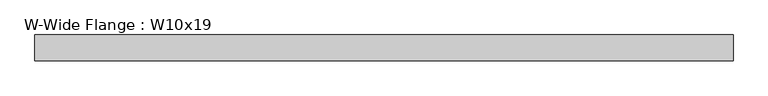
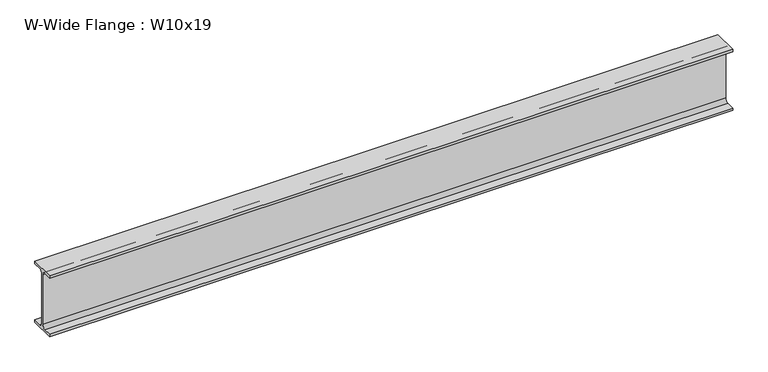
"""IFC4 building model written with IfcOpenShell, lengths in millimetres: beam geometry, W-Wide Flange : W10x19."""

from ifc_helpers import new_model, si_unit, point, frame, frame_2d, origin, place, context, project, spatial, polyline, circle_curve, trimmed, segment, composite_curve, outline, extrude, source, transform, mapped, element, save


def w_wide_flange_w10x19_a268e3e9(model_context):
    return source(origin(), model_context, "Body", "SweptSolid", [
        extrude(outline(composite_curve([segment(polyline([(51.054, -119.507), (51.054, -129.54), (-51.054, -129.54), (-51.054, -119.507), (-16.9545, -119.507)]), True, "CONTINUOUS"), segment(trimmed(circle_curve(frame_2d((-16.9545, -105.7275)), 13.7795), [point((-16.9545, -119.507))], [point((-3.175, -105.7275))], True, "CARTESIAN"), True, "CONTINUOUS"), segment(polyline([(-3.175, -105.7275), (-3.175, 105.7275)]), True, "CONTINUOUS"), segment(trimmed(circle_curve(frame_2d((-16.9545, 105.7275)), 13.7795), [point((-3.175, 105.7275))], [point((-16.9545, 119.507))], True, "CARTESIAN"), True, "CONTINUOUS"), segment(polyline([(-16.9545, 119.507), (-51.054, 119.507), (-51.054, 129.54), (51.054, 129.54), (51.054, 119.507), (16.9545, 119.507)]), True, "CONTINUOUS"), segment(trimmed(circle_curve(frame_2d((16.9545, 105.7275)), 13.7795), [point((16.9545, 119.507))], [point((3.175, 105.7275))], True, "CARTESIAN"), True, "CONTINUOUS"), segment(polyline([(3.175, 105.7275), (3.175, -105.7275)]), True, "CONTINUOUS"), segment(trimmed(circle_curve(frame_2d((16.9545, -105.7275)), 13.7795), [point((3.175, -105.7275))], [point((16.9545, -119.507))], True, "CARTESIAN"), True, "CONTINUOUS"), segment(polyline([(16.9545, -119.507), (51.054, -119.507)]), True, "CONTINUOUS")], self_intersect=False)), frame((-1323.975, 0.0, 0.0), z_axis=(1.0, 0.0, 0.0), x_axis=(0.0, 1.0, 0.0)), (0.0, 0.0, 1.0), 2749.296),
    ])


if __name__ == "__main__":
    model = new_model("IFC4")
    model_context = context("Model", 3, world=origin())
    ifc_project = project(units=[si_unit("LENGTHUNIT", "METRE", prefix="MILLI")], contexts=[model_context])
    site = spatial("IfcSite", under=ifc_project)
    building = spatial("IfcBuilding", under=site)
    placement = place(None, origin())
    w_wide_flange_w10x19_shape = w_wide_flange_w10x19_a268e3e9(model_context)
    element("IfcBeam", 1, ObjectType="W-Wide Flange : W10x19", at=placement, inside=building, context=model_context, shape_type="MappedRepresentation", body=[
        mapped(w_wide_flange_w10x19_shape, transform((0.0, 0.0, 0.0), x_axis=(1.0, 0.0, 0.0), y_axis=(0.0, 1.0, 0.0), z_axis=(0.0, 0.0, 1.0))),
    ])
    save(model, "model.ifc")
